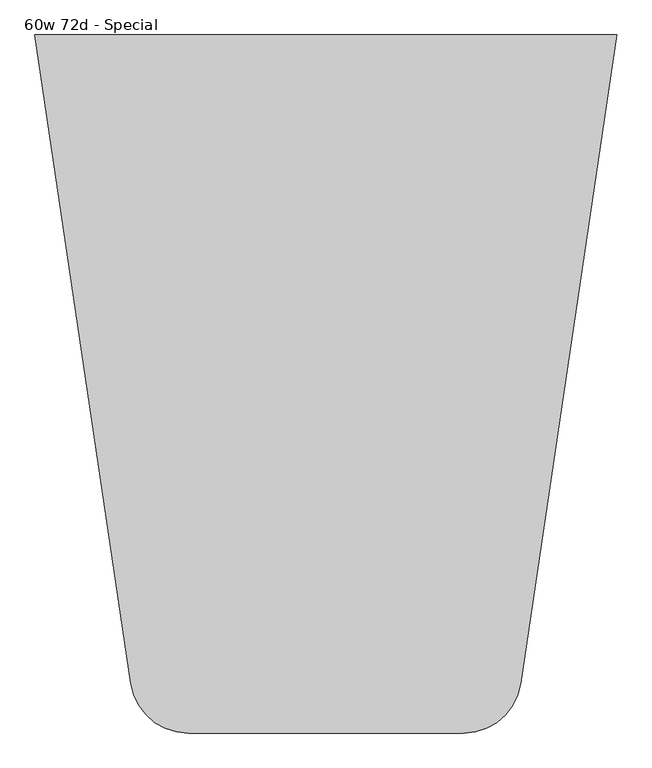
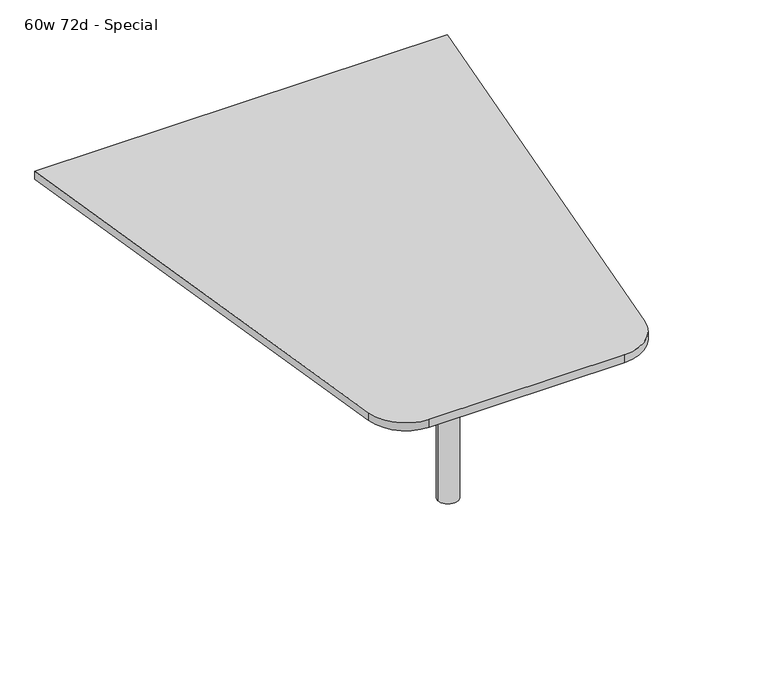
"""IFC4 building model written with IfcOpenShell, lengths in millimetres: furniture geometry, 60w 72d - Special."""

import ifcopenshell
import ifcopenshell.guid

model = None  # the IFC model being written
_history = None  # IfcOwnerHistory: only IFC2X3 demands one
_inside = {}  # id of a spatial element -> (the spatial element, [elements in it])
_under = {}  # id of a project, library or spatial element -> (it, [spatial elements below it])
_declared = {}  # id of a project -> (the project, [libraries it declares])
_typed = {}  # id of a type object -> (the type object, [elements of that type])
_made_of = {}  # id of a material, layer set ... -> (it, [elements and type objects made of it])


def new_model(schema):
    """Start an empty IFC model of exactly this schema.

    Asked for "IFC4X3", IfcOpenShell would pick the latest addendum, in which some entities
    have other attributes; the version numbers below select the first issue.
    IFC2X3 requires an IfcOwnerHistory on every rooted entity: one is made here for all.
    """
    global model, _history
    if schema == "IFC4X3":
        model = ifcopenshell.file(schema_version=(4, 3, 0, 0))
    else:
        model = ifcopenshell.file(schema=schema)
    _inside.clear()
    _under.clear()
    _declared.clear()
    _typed.clear()
    _made_of.clear()
    _history = None
    if model.schema == "IFC2X3":
        org = make("IfcOrganization", Name="unknown")
        user = make(
            "IfcPersonAndOrganization",
            ThePerson=make("IfcPerson", FamilyName="unknown"),
            TheOrganization=org,
        )
        app = make(
            "IfcApplication",
            ApplicationDeveloper=org,
            Version="unknown",
            ApplicationFullName="unknown",
            ApplicationIdentifier="unknown",
        )
        _history = make(
            "IfcOwnerHistory",
            OwningUser=user,
            OwningApplication=app,
            ChangeAction="ADDED",
            CreationDate=0,
        )
    return model


def make(cls, **values):
    """One entity of the class cls with the attributes given. An attribute that is None is left unset."""
    return model.create_entity(
        cls, **{name: value for name, value in values.items() if value is not None}
    )


def rooted(cls, **values):
    """An entity with a GlobalId (a new one), such as an element, a storey or a relation."""
    return make(cls, GlobalId=ifcopenshell.guid.new(), OwnerHistory=_history, **values)


def si_unit(unit_type, name, prefix=None):
    """IfcSIUnit, for example si_unit("LENGTHUNIT", "METRE", prefix="MILLI")."""
    return make("IfcSIUnit", UnitType=unit_type, Prefix=prefix, Name=name)


def assignment(units):
    """IfcUnitAssignment: the units of a project."""
    return None if units is None else make("IfcUnitAssignment", Units=units)


def point(xyz):
    """IfcCartesianPoint."""
    return None if xyz is None else make("IfcCartesianPoint", Coordinates=xyz)


def direction(xyz):
    """IfcDirection."""
    return None if xyz is None else make("IfcDirection", DirectionRatios=xyz)


def frame(location, z_axis=None, x_axis=None):
    """IfcAxis2Placement3D, a coordinate frame: its origin and axes. An axis left out is left unset."""
    return make(
        "IfcAxis2Placement3D",
        Location=point(location),
        Axis=direction(z_axis),
        RefDirection=direction(x_axis),
    )


def frame_2d(location, x_axis=None):
    """IfcAxis2Placement2D, a coordinate frame in the plane: its origin and x axis."""
    return make(
        "IfcAxis2Placement2D", Location=point(location), RefDirection=direction(x_axis)
    )


def origin():
    """The frame at (0, 0, 0) with its axes left unset."""
    return frame((0.0, 0.0, 0.0))


def place(relative_to, where):
    """IfcLocalPlacement: puts the frame where relative to a parent placement (None: the world)."""
    return make(
        "IfcLocalPlacement", PlacementRelTo=relative_to, RelativePlacement=where
    )


def context(
    kind, dimensions, precision=None, world=None, true_north=None, identifier=None
):
    """IfcGeometricRepresentationContext, for example the 3D "Model" context."""
    return make(
        "IfcGeometricRepresentationContext",
        ContextIdentifier=identifier,
        ContextType=kind,
        CoordinateSpaceDimension=dimensions,
        Precision=precision,
        WorldCoordinateSystem=world,
        TrueNorth=true_north,
    )


def project(units=None, contexts=None):
    """IfcProject with its units and contexts."""
    return rooted(
        "IfcProject",
        Name="project",
        RepresentationContexts=contexts,
        UnitsInContext=assignment(units),
    )


def spatial(cls, under=None, at=None, **own):
    """A site, building, storey or space (cls), placed at a placement, below another one or the project."""
    s = rooted(cls, ObjectPlacement=at, **own)
    if under is not None:
        _under.setdefault(under.id(), (under, []))[1].append(s)
    return s


def polyline(points):
    """IfcPolyline through the points."""
    return make("IfcPolyline", Points=[point(p) for p in points])


def circle_curve(where, radius):
    """IfcCircle in the frame where."""
    return make("IfcCircle", Position=where, Radius=radius)


def trimmed(basis, trim1, trim2, sense, master):
    """IfcTrimmedCurve: the piece of a basis curve between two trims."""
    return make(
        "IfcTrimmedCurve",
        BasisCurve=basis,
        Trim1=trim1,
        Trim2=trim2,
        SenseAgreement=sense,
        MasterRepresentation=master,
    )


def segment(curve, same_sense, transition):
    """IfcCompositeCurveSegment."""
    return make(
        "IfcCompositeCurveSegment",
        Transition=transition,
        SameSense=same_sense,
        ParentCurve=curve,
    )


def composite_curve(segments, self_intersect=None):
    """IfcCompositeCurve: segments joined end to end."""
    return make("IfcCompositeCurve", Segments=segments, SelfIntersect=self_intersect)


def outline(outer, holes=None, kind="AREA"):
    """IfcArbitraryClosedProfileDef: a profile drawn as a closed curve; with holes, ...WithVoids."""
    if holes is None:
        return make("IfcArbitraryClosedProfileDef", ProfileType=kind, OuterCurve=outer)
    return make(
        "IfcArbitraryProfileDefWithVoids",
        ProfileType=kind,
        OuterCurve=outer,
        InnerCurves=holes,
    )


def extrude(swept, where, along, depth):
    """IfcExtrudedAreaSolid: the profile swept, set in the frame where, extruded along a direction by depth."""
    return make(
        "IfcExtrudedAreaSolid",
        SweptArea=swept,
        Position=where,
        ExtrudedDirection=direction(along),
        Depth=depth,
    )


def shape(context_of_items, identifier, shape_type, items):
    """IfcShapeRepresentation: the items that make up one representation, for example the "Body"."""
    return make(
        "IfcShapeRepresentation",
        ContextOfItems=context_of_items,
        RepresentationIdentifier=identifier,
        RepresentationType=shape_type,
        Items=items,
    )


def source(mapping_origin, context_of_items, identifier, shape_type, items):
    """IfcRepresentationMap: a shape defined once, which mapped items show again and again."""
    return make(
        "IfcRepresentationMap",
        MappingOrigin=mapping_origin,
        MappedRepresentation=shape(context_of_items, identifier, shape_type, items),
    )


def transform(
    local_origin,
    x_axis=None,
    y_axis=None,
    z_axis=None,
    scale=None,
    scale2=None,
    scale3=None,
    uniform=True,
):
    """IfcCartesianTransformationOperator3D, or its non-uniform kind. x_axis, y_axis, z_axis: its Axis1, 2, 3."""
    if uniform:
        return make(
            "IfcCartesianTransformationOperator3D",
            Axis1=direction(x_axis),
            Axis2=direction(y_axis),
            LocalOrigin=point(local_origin),
            Scale=scale,
            Axis3=direction(z_axis),
        )
    return make(
        "IfcCartesianTransformationOperator3DnonUniform",
        Axis1=direction(x_axis),
        Axis2=direction(y_axis),
        LocalOrigin=point(local_origin),
        Scale=scale,
        Axis3=direction(z_axis),
        Scale2=scale2,
        Scale3=scale3,
    )


def mapped(mapping_source, mapping_target):
    """IfcMappedItem: shows the shape of a source again, moved by a transform."""
    return make(
        "IfcMappedItem", MappingSource=mapping_source, MappingTarget=mapping_target
    )


def made_of(thing, what):
    """Note that an element or type object is made of a material, layer set ...; save() writes the relation."""
    if what is not None:
        _made_of.setdefault(what.id(), (what, []))[1].append(thing)
    return thing


def element(
    cls,
    number,
    at=None,
    inside=None,
    cuts=None,
    type_object=None,
    material=None,
    context=None,
    identifier="Body",
    shape_type=None,
    held_by="IfcProductDefinitionShape",
    body=None,
    shapes=None,
    **own,
):
    """One element of the class cls, such as IfcWall. Its Tag is "e" and its number.

    at: its placement. inside: the storey or other place that contains it. cuts: it is an
    opening in that element (IfcRelVoidsElement). A single representation is given by context,
    identifier, shape_type and body (its items); several are given by shapes. held_by: the class
    of the entity that holds the representations. save() writes the other relations.
    """
    e = rooted(cls, Tag="e%d" % number, ObjectPlacement=at, **own)
    if body is not None:
        shapes = [shape(context, identifier, shape_type, body)]
    if shapes is not None:
        e.Representation = make(held_by, Representations=shapes)
    if inside is not None:
        _inside.setdefault(inside.id(), (inside, []))[1].append(e)
    if cuts is not None:
        rooted(
            "IfcRelVoidsElement", RelatingBuildingElement=cuts, RelatedOpeningElement=e
        )
    if type_object is not None:
        _typed.setdefault(type_object.id(), (type_object, []))[1].append(e)
    return made_of(e, material)


def aggregate(whole, parts):
    """IfcRelAggregates: a whole, such as a stair, and the parts it consists of."""
    return rooted("IfcRelAggregates", RelatingObject=whole, RelatedObjects=parts)


def save(model, path):
    """Write the relations noted so far, then the file.

    IfcRelAggregates (storeys below a building ...), IfcRelContainedInSpatialStructure (elements
    in a storey), IfcRelDefinesByType, IfcRelAssociatesMaterial and IfcRelDeclares: one each for
    every whole, place, type object, material and project.
    """
    for whole, parts in _under.values():
        aggregate(whole, parts)
    for where, things in _inside.values():
        rooted(
            "IfcRelContainedInSpatialStructure",
            RelatedElements=things,
            RelatingStructure=where,
        )
    for kind, things in _typed.values():
        rooted("IfcRelDefinesByType", RelatedObjects=things, RelatingType=kind)
    for what, things in _made_of.values():
        rooted("IfcRelAssociatesMaterial", RelatedObjects=things, RelatingMaterial=what)
    for by, libraries in _declared.values():
        rooted("IfcRelDeclares", RelatingContext=by, RelatedDefinitions=libraries)
    model.write(path)


def plane_surface(at):
    """IfcPlane: the flat surface through the origin of the frame at, square to its z axis."""
    return make("IfcPlane", Position=at)


def cylinder_surface(at, radius):
    """IfcCylindricalSurface: all points at the distance radius from the z axis of the frame at."""
    return make("IfcCylindricalSurface", Position=at, Radius=radius)


def advanced_brep(points, edges, surfaces, faces):
    """IfcAdvancedBrep: a solid bounded by faces that lie on surfaces and meet in shared edges.

    An edge is (start, end): straight between two places in points (the first is 0);
    or (start, end, curve); or (start, end, curve, False) where it runs against its curve.
    A face is (place in surfaces, loops), or (place, loops, False) where it looks against
    its surface's normal. A loop lists edges by number (the first is 1), with a minus sign
    where the edge is run from its end to its start. The first loop is the outer one.
    """
    corners = [point(p) for p in points]
    vertices = [make("IfcVertexPoint", VertexGeometry=c) for c in corners]
    made = []
    for start, end, *more in edges:
        made.append(
            make(
                "IfcEdgeCurve",
                EdgeStart=vertices[start],
                EdgeEnd=vertices[end],
                EdgeGeometry=more[0] if more else make("IfcPolyline", Points=[corners[start], corners[end]]),
                SameSense=more[1] if len(more) > 1 else True,
            )
        )
    hull = []
    for where, loops, *sense in faces:
        bounds = []
        for j, loop in enumerate(loops):
            ring = [make("IfcOrientedEdge", EdgeElement=made[abs(k) - 1], Orientation=k > 0) for k in loop]
            bounds.append(
                make(
                    "IfcFaceOuterBound" if j == 0 else "IfcFaceBound",
                    Bound=make("IfcEdgeLoop", EdgeList=ring),
                    Orientation=True,
                )
            )
        hull.append(make("IfcAdvancedFace", Bounds=bounds, FaceSurface=surfaces[where], SameSense=sense[0] if sense else True))
    return make("IfcAdvancedBrep", Outer=make("IfcClosedShell", CfsFaces=hull))


def furniture_60w_72d_special_ff425be5(model_context):
    return source(origin(), model_context, "Body", "SolidModel", [
        advanced_brep(
        [(38.1, -269.2213526, 706.4375), (-38.1, -269.2213526, 706.4375), (0.0, -269.2213526, 706.4375), (38.1, -269.2213526, 0.0), (-38.1, -269.2213526, 0.0), (0.0, -269.2213526, 0.0)],
        [
            (0, 1, circle_curve(frame((0.0, -269.2213526, 706.4375), z_axis=(0.0, 0.0, 1.0), x_axis=(-1.0, 0.0, 0.0)), 38.1)),
            (1, 2),
            (2, 0),
            (1, 0, circle_curve(frame((0.0, -269.2213526, 706.4375), z_axis=(0.0, 0.0, 1.0), x_axis=(-1.0, 0.0, 0.0)), 38.1)),
            (3, 4, circle_curve(frame((0.0, -269.2213526, 0.0), z_axis=(0.0, 0.0, 1.0), x_axis=(-1.0, 0.0, 0.0)), 38.1)),
            (4, 1),
            (0, 3),
            (4, 3, circle_curve(frame((0.0, -269.2213526, 0.0), z_axis=(0.0, 0.0, 1.0), x_axis=(-1.0, 0.0, 0.0)), 38.1)),
            (5, 4),
            (3, 5),
        ],
        [
            plane_surface(frame((0.0, -269.2213526, 706.4375), z_axis=(0.0, 0.0, 1.0), x_axis=(-1.0, 0.0, 0.0))),
            cylinder_surface(frame((0.0, -269.2213526, 889.623257), z_axis=(0.0, 0.0, -1.0), x_axis=(-1.0, 0.0, 0.0)), 38.1),
            plane_surface(frame((0.0, -269.2213526, 0.0), z_axis=(0.0, 0.0, -1.0), x_axis=(-1.0, 0.0, 0.0))),
        ],
        [
            (0, [[1, 2, 3]]),
            (0, [[4, -3, -2]]),
            (1, [[5, 6, -1, 7]]),
            (1, [[8, -7, -4, -6]]),
            (2, [[9, -5, 10]]),
            (2, [[-10, -8, -9]]),
        ],
    ),
        extrude(outline(composite_curve([segment(polyline([(-762.0, 1054.1), (762.0, 1054.1), (510.9674224, -644.5798485)]), True, "CONTINUOUS"), segment(trimmed(circle_curve(frame_2d((360.2047999, -622.3)), 152.4), [point((510.9674224, -644.5798485))], [point((360.2047999, -774.7))], False, "CARTESIAN"), True, "CONTINUOUS"), segment(polyline([(360.2047999, -774.7), (-360.2047999, -774.7)]), True, "CONTINUOUS"), segment(trimmed(circle_curve(frame_2d((-360.2047999, -622.3)), 152.4), [point((-360.2047999, -774.7))], [point((-510.9674224, -644.5798485))], False, "CARTESIAN"), True, "CONTINUOUS"), segment(polyline([(-510.9674224, -644.5798485), (-762.0, 1054.1)]), True, "CONTINUOUS")], self_intersect=False)), frame((0.0, 0.0, 706.4375), z_axis=(0.0, 0.0, 1.0), x_axis=(1.0, 0.0, 0.0)), (0.0, 0.0, 1.0), 30.1625),
    ])


if __name__ == "__main__":
    model = new_model("IFC4")
    model_context = context("Model", 3, world=origin())
    ifc_project = project(units=[si_unit("LENGTHUNIT", "METRE", prefix="MILLI")], contexts=[model_context])
    site = spatial("IfcSite", under=ifc_project)
    building = spatial("IfcBuilding", under=site)
    placement = place(None, origin())
    furniture_60w_72d_special_shape = furniture_60w_72d_special_ff425be5(model_context)
    element("IfcFurniture", 1, ObjectType="60w 72d - Special", at=placement, inside=building, context=model_context, shape_type="MappedRepresentation", body=[
        mapped(furniture_60w_72d_special_shape, transform((0.0, 0.0, 0.0), x_axis=(1.0, 0.0, 0.0), y_axis=(0.0, 1.0, 0.0), z_axis=(0.0, 0.0, 1.0))),
    ])
    save(model, "model.ifc")
